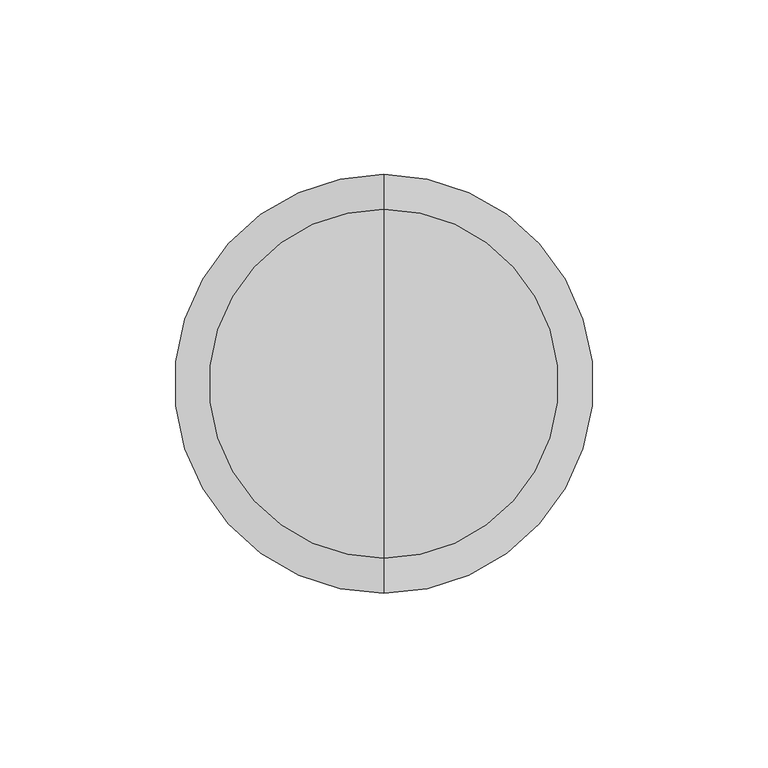
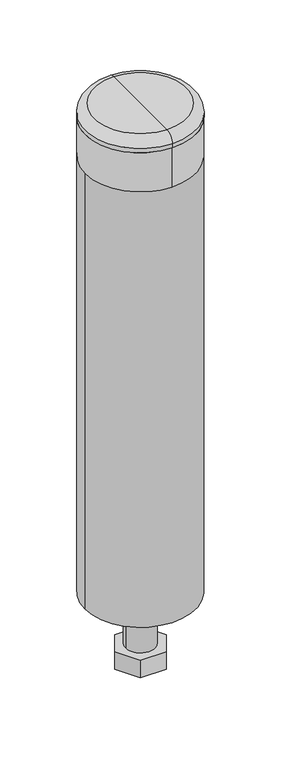
"""IFC4 building model written with IfcOpenShell, lengths in millimetres: proxy geometry."""

import ifcopenshell
import ifcopenshell.guid

model = None  # the IFC model being written
_history = None  # IfcOwnerHistory: only IFC2X3 demands one
_inside = {}  # id of a spatial element -> (the spatial element, [elements in it])
_under = {}  # id of a project, library or spatial element -> (it, [spatial elements below it])
_declared = {}  # id of a project -> (the project, [libraries it declares])
_typed = {}  # id of a type object -> (the type object, [elements of that type])
_made_of = {}  # id of a material, layer set ... -> (it, [elements and type objects made of it])


def new_model(schema):
    """Start an empty IFC model of exactly this schema.

    Asked for "IFC4X3", IfcOpenShell would pick the latest addendum, in which some entities
    have other attributes; the version numbers below select the first issue.
    IFC2X3 requires an IfcOwnerHistory on every rooted entity: one is made here for all.
    """
    global model, _history
    if schema == "IFC4X3":
        model = ifcopenshell.file(schema_version=(4, 3, 0, 0))
    else:
        model = ifcopenshell.file(schema=schema)
    _inside.clear()
    _under.clear()
    _declared.clear()
    _typed.clear()
    _made_of.clear()
    _history = None
    if model.schema == "IFC2X3":
        org = make("IfcOrganization", Name="unknown")
        user = make(
            "IfcPersonAndOrganization",
            ThePerson=make("IfcPerson", FamilyName="unknown"),
            TheOrganization=org,
        )
        app = make(
            "IfcApplication",
            ApplicationDeveloper=org,
            Version="unknown",
            ApplicationFullName="unknown",
            ApplicationIdentifier="unknown",
        )
        _history = make(
            "IfcOwnerHistory",
            OwningUser=user,
            OwningApplication=app,
            ChangeAction="ADDED",
            CreationDate=0,
        )
    return model


def make(cls, **values):
    """One entity of the class cls with the attributes given. An attribute that is None is left unset."""
    return model.create_entity(
        cls, **{name: value for name, value in values.items() if value is not None}
    )


def rooted(cls, **values):
    """An entity with a GlobalId (a new one), such as an element, a storey or a relation."""
    return make(cls, GlobalId=ifcopenshell.guid.new(), OwnerHistory=_history, **values)


def si_unit(unit_type, name, prefix=None):
    """IfcSIUnit, for example si_unit("LENGTHUNIT", "METRE", prefix="MILLI")."""
    return make("IfcSIUnit", UnitType=unit_type, Prefix=prefix, Name=name)


def assignment(units):
    """IfcUnitAssignment: the units of a project."""
    return None if units is None else make("IfcUnitAssignment", Units=units)


def point(xyz):
    """IfcCartesianPoint."""
    return None if xyz is None else make("IfcCartesianPoint", Coordinates=xyz)


def direction(xyz):
    """IfcDirection."""
    return None if xyz is None else make("IfcDirection", DirectionRatios=xyz)


def frame(location, z_axis=None, x_axis=None):
    """IfcAxis2Placement3D, a coordinate frame: its origin and axes. An axis left out is left unset."""
    return make(
        "IfcAxis2Placement3D",
        Location=point(location),
        Axis=direction(z_axis),
        RefDirection=direction(x_axis),
    )


def frame_2d(location, x_axis=None):
    """IfcAxis2Placement2D, a coordinate frame in the plane: its origin and x axis."""
    return make(
        "IfcAxis2Placement2D", Location=point(location), RefDirection=direction(x_axis)
    )


def origin():
    """The frame at (0, 0, 0) with its axes left unset."""
    return frame((0.0, 0.0, 0.0))


def origin_with_axes():
    """The frame at (0, 0, 0) with the z axis (0, 0, 1) and the x axis (1, 0, 0) written out."""
    return frame((0.0, 0.0, 0.0), z_axis=(0.0, 0.0, 1.0), x_axis=(1.0, 0.0, 0.0))


def origin_2d():
    """The frame at (0, 0) in the plane with its x axis left unset."""
    return frame_2d((0.0, 0.0))


def place(relative_to, where):
    """IfcLocalPlacement: puts the frame where relative to a parent placement (None: the world)."""
    return make(
        "IfcLocalPlacement", PlacementRelTo=relative_to, RelativePlacement=where
    )


def context(
    kind, dimensions, precision=None, world=None, true_north=None, identifier=None
):
    """IfcGeometricRepresentationContext, for example the 3D "Model" context."""
    return make(
        "IfcGeometricRepresentationContext",
        ContextIdentifier=identifier,
        ContextType=kind,
        CoordinateSpaceDimension=dimensions,
        Precision=precision,
        WorldCoordinateSystem=world,
        TrueNorth=true_north,
    )


def project(units=None, contexts=None):
    """IfcProject with its units and contexts."""
    return rooted(
        "IfcProject",
        Name="project",
        RepresentationContexts=contexts,
        UnitsInContext=assignment(units),
    )


def spatial(cls, under=None, at=None, **own):
    """A site, building, storey or space (cls), placed at a placement, below another one or the project."""
    s = rooted(cls, ObjectPlacement=at, **own)
    if under is not None:
        _under.setdefault(under.id(), (under, []))[1].append(s)
    return s


def polyline(points):
    """IfcPolyline through the points."""
    return make("IfcPolyline", Points=[point(p) for p in points])


def circle_curve(where, radius):
    """IfcCircle in the frame where."""
    return make("IfcCircle", Position=where, Radius=radius)


def ellipse_curve(where, semi_axis1, semi_axis2):
    """IfcEllipse in the frame where."""
    return make(
        "IfcEllipse", Position=where, SemiAxis1=semi_axis1, SemiAxis2=semi_axis2
    )


def trimmed(basis, trim1, trim2, sense, master):
    """IfcTrimmedCurve: the piece of a basis curve between two trims."""
    return make(
        "IfcTrimmedCurve",
        BasisCurve=basis,
        Trim1=trim1,
        Trim2=trim2,
        SenseAgreement=sense,
        MasterRepresentation=master,
    )


def segment(curve, same_sense, transition):
    """IfcCompositeCurveSegment."""
    return make(
        "IfcCompositeCurveSegment",
        Transition=transition,
        SameSense=same_sense,
        ParentCurve=curve,
    )


def composite_curve(segments, self_intersect=None):
    """IfcCompositeCurve: segments joined end to end."""
    return make("IfcCompositeCurve", Segments=segments, SelfIntersect=self_intersect)


def outline(outer, holes=None, kind="AREA"):
    """IfcArbitraryClosedProfileDef: a profile drawn as a closed curve; with holes, ...WithVoids."""
    if holes is None:
        return make("IfcArbitraryClosedProfileDef", ProfileType=kind, OuterCurve=outer)
    return make(
        "IfcArbitraryProfileDefWithVoids",
        ProfileType=kind,
        OuterCurve=outer,
        InnerCurves=holes,
    )


def extrude(swept, where, along, depth):
    """IfcExtrudedAreaSolid: the profile swept, set in the frame where, extruded along a direction by depth."""
    return make(
        "IfcExtrudedAreaSolid",
        SweptArea=swept,
        Position=where,
        ExtrudedDirection=direction(along),
        Depth=depth,
    )


def shape(context_of_items, identifier, shape_type, items):
    """IfcShapeRepresentation: the items that make up one representation, for example the "Body"."""
    return make(
        "IfcShapeRepresentation",
        ContextOfItems=context_of_items,
        RepresentationIdentifier=identifier,
        RepresentationType=shape_type,
        Items=items,
    )


def source(mapping_origin, context_of_items, identifier, shape_type, items):
    """IfcRepresentationMap: a shape defined once, which mapped items show again and again."""
    return make(
        "IfcRepresentationMap",
        MappingOrigin=mapping_origin,
        MappedRepresentation=shape(context_of_items, identifier, shape_type, items),
    )


def transform(
    local_origin,
    x_axis=None,
    y_axis=None,
    z_axis=None,
    scale=None,
    scale2=None,
    scale3=None,
    uniform=True,
):
    """IfcCartesianTransformationOperator3D, or its non-uniform kind. x_axis, y_axis, z_axis: its Axis1, 2, 3."""
    if uniform:
        return make(
            "IfcCartesianTransformationOperator3D",
            Axis1=direction(x_axis),
            Axis2=direction(y_axis),
            LocalOrigin=point(local_origin),
            Scale=scale,
            Axis3=direction(z_axis),
        )
    return make(
        "IfcCartesianTransformationOperator3DnonUniform",
        Axis1=direction(x_axis),
        Axis2=direction(y_axis),
        LocalOrigin=point(local_origin),
        Scale=scale,
        Axis3=direction(z_axis),
        Scale2=scale2,
        Scale3=scale3,
    )


def mapped(mapping_source, mapping_target):
    """IfcMappedItem: shows the shape of a source again, moved by a transform."""
    return make(
        "IfcMappedItem", MappingSource=mapping_source, MappingTarget=mapping_target
    )


def made_of(thing, what):
    """Note that an element or type object is made of a material, layer set ...; save() writes the relation."""
    if what is not None:
        _made_of.setdefault(what.id(), (what, []))[1].append(thing)
    return thing


def element(
    cls,
    number,
    at=None,
    inside=None,
    cuts=None,
    type_object=None,
    material=None,
    context=None,
    identifier="Body",
    shape_type=None,
    held_by="IfcProductDefinitionShape",
    body=None,
    shapes=None,
    **own,
):
    """One element of the class cls, such as IfcWall. Its Tag is "e" and its number.

    at: its placement. inside: the storey or other place that contains it. cuts: it is an
    opening in that element (IfcRelVoidsElement). A single representation is given by context,
    identifier, shape_type and body (its items); several are given by shapes. held_by: the class
    of the entity that holds the representations. save() writes the other relations.
    """
    e = rooted(cls, Tag="e%d" % number, ObjectPlacement=at, **own)
    if body is not None:
        shapes = [shape(context, identifier, shape_type, body)]
    if shapes is not None:
        e.Representation = make(held_by, Representations=shapes)
    if inside is not None:
        _inside.setdefault(inside.id(), (inside, []))[1].append(e)
    if cuts is not None:
        rooted(
            "IfcRelVoidsElement", RelatingBuildingElement=cuts, RelatedOpeningElement=e
        )
    if type_object is not None:
        _typed.setdefault(type_object.id(), (type_object, []))[1].append(e)
    return made_of(e, material)


def aggregate(whole, parts):
    """IfcRelAggregates: a whole, such as a stair, and the parts it consists of."""
    return rooted("IfcRelAggregates", RelatingObject=whole, RelatedObjects=parts)


def save(model, path):
    """Write the relations noted so far, then the file.

    IfcRelAggregates (storeys below a building ...), IfcRelContainedInSpatialStructure (elements
    in a storey), IfcRelDefinesByType, IfcRelAssociatesMaterial and IfcRelDeclares: one each for
    every whole, place, type object, material and project.
    """
    for whole, parts in _under.values():
        aggregate(whole, parts)
    for where, things in _inside.values():
        rooted(
            "IfcRelContainedInSpatialStructure",
            RelatedElements=things,
            RelatingStructure=where,
        )
    for kind, things in _typed.values():
        rooted("IfcRelDefinesByType", RelatedObjects=things, RelatingType=kind)
    for what, things in _made_of.values():
        rooted("IfcRelAssociatesMaterial", RelatedObjects=things, RelatingMaterial=what)
    for by, libraries in _declared.values():
        rooted("IfcRelDeclares", RelatingContext=by, RelatedDefinitions=libraries)
    model.write(path)


def plane_surface(at):
    """IfcPlane: the flat surface through the origin of the frame at, square to its z axis."""
    return make("IfcPlane", Position=at)


def cylinder_surface(at, radius):
    """IfcCylindricalSurface: all points at the distance radius from the z axis of the frame at."""
    return make("IfcCylindricalSurface", Position=at, Radius=radius)


def revolved_surface(curve, axis_point, axis_direction):
    """IfcSurfaceOfRevolution: the curve turned about the line through axis_point along axis_direction."""
    return make(
        "IfcSurfaceOfRevolution",
        SweptCurve=make("IfcArbitraryOpenProfileDef", ProfileType="CURVE", Curve=curve),
        AxisPosition=make("IfcAxis1Placement", Location=point(axis_point), Axis=direction(axis_direction)),
    )


def advanced_brep(points, edges, surfaces, faces):
    """IfcAdvancedBrep: a solid bounded by faces that lie on surfaces and meet in shared edges.

    An edge is (start, end): straight between two places in points (the first is 0);
    or (start, end, curve); or (start, end, curve, False) where it runs against its curve.
    A face is (place in surfaces, loops), or (place, loops, False) where it looks against
    its surface's normal. A loop lists edges by number (the first is 1), with a minus sign
    where the edge is run from its end to its start. The first loop is the outer one.
    """
    corners = [point(p) for p in points]
    vertices = [make("IfcVertexPoint", VertexGeometry=c) for c in corners]
    made = []
    for start, end, *more in edges:
        made.append(
            make(
                "IfcEdgeCurve",
                EdgeStart=vertices[start],
                EdgeEnd=vertices[end],
                EdgeGeometry=more[0] if more else make("IfcPolyline", Points=[corners[start], corners[end]]),
                SameSense=more[1] if len(more) > 1 else True,
            )
        )
    hull = []
    for where, loops, *sense in faces:
        bounds = []
        for j, loop in enumerate(loops):
            ring = [make("IfcOrientedEdge", EdgeElement=made[abs(k) - 1], Orientation=k > 0) for k in loop]
            bounds.append(
                make(
                    "IfcFaceOuterBound" if j == 0 else "IfcFaceBound",
                    Bound=make("IfcEdgeLoop", EdgeList=ring),
                    Orientation=True,
                )
            )
        hull.append(make("IfcAdvancedFace", Bounds=bounds, FaceSurface=surfaces[where], SameSense=sense[0] if sense else True))
    return make("IfcAdvancedBrep", Outer=make("IfcClosedShell", CfsFaces=hull))


def generic_models_7a511f89(model_context):
    return source(origin(), model_context, "Body", "SolidModel", [
        advanced_brep(
        [(14.0, 24.2487113, 522.0), (-14.0, 24.2487113, 522.0), (-28.0, 0.0, 522.0), (-14.0, -24.2487113, 522.0), (14.0, -24.2487113, 522.0), (28.0, 0.0, 522.0), (0.0, 15.0, 522.0), (0.0, -15.0, 522.0), (14.0, 24.2487113, 502.0), (-14.0, 24.2487113, 502.0), (-28.0, 0.0, 502.0), (-14.0, -24.2487113, 502.0), (14.0, -24.2487113, 502.0), (28.0, 0.0, 502.0), (0.0, 15.0, 502.0), (0.0, -15.0, 502.0), (0.0, 30.0, 500.0), (0.0, -30.0, 500.0), (0.0, 15.0, 500.0), (0.0, -15.0, 500.0), (0.0, 30.0, 502.0), (0.0, -30.0, 502.0)],
        [
            (0, 1),
            (1, 2),
            (2, 3),
            (3, 4),
            (4, 5),
            (5, 0),
            (6, 7, circle_curve(frame((0.0, 0.0, 522.0), z_axis=(0.0, 0.0, -1.0), x_axis=(0.0, -1.0, 0.0)), 15.0)),
            (7, 6, circle_curve(frame((0.0, 0.0, 522.0), z_axis=(0.0, 0.0, -1.0), x_axis=(0.0, -1.0, 0.0)), 15.0)),
            (0, 8),
            (8, 9),
            (9, 1),
            (9, 10),
            (10, 2),
            (10, 11),
            (11, 3),
            (11, 12),
            (12, 4),
            (12, 13),
            (13, 5),
            (13, 8),
            (6, 14),
            (14, 15, circle_curve(frame((0.0, 0.0, 502.0), z_axis=(0.0, 0.0, -1.0), x_axis=(0.0, -1.0, 0.0)), 15.0)),
            (15, 7),
            (15, 14, circle_curve(frame((0.0, 0.0, 502.0), z_axis=(0.0, 0.0, -1.0), x_axis=(0.0, -1.0, 0.0)), 15.0)),
            (16, 17, circle_curve(frame((0.0, 0.0, 500.0), z_axis=(0.0, 0.0, -1.0), x_axis=(0.0, -1.0, 0.0)), 30.0)),
            (17, 16, circle_curve(frame((0.0, 0.0, 500.0), z_axis=(0.0, 0.0, -1.0), x_axis=(0.0, -1.0, 0.0)), 30.0)),
            (18, 19, circle_curve(frame((0.0, 0.0, 500.0), z_axis=(0.0, 0.0, 1.0), x_axis=(0.0, -1.0, 0.0)), 15.0)),
            (19, 18, circle_curve(frame((0.0, 0.0, 500.0), z_axis=(0.0, 0.0, 1.0), x_axis=(0.0, -1.0, 0.0)), 15.0)),
            (20, 21, circle_curve(frame((0.0, 0.0, 502.0), z_axis=(0.0, 0.0, 1.0), x_axis=(0.0, -1.0, 0.0)), 30.0)),
            (21, 20, circle_curve(frame((0.0, 0.0, 502.0), z_axis=(0.0, 0.0, 1.0), x_axis=(0.0, -1.0, 0.0)), 30.0)),
            (16, 20),
            (21, 17),
            (18, 14),
            (15, 19),
        ],
        [
            plane_surface(frame((14.0, 24.2487113, 522.0), z_axis=(0.0, 0.0, 1.0), x_axis=(-1.0, 0.0, 0.0))),
            plane_surface(frame((14.0, 24.2487113, 522.0), z_axis=(0.0, 1.0, 0.0), x_axis=(0.0, 0.0, -1.0))),
            plane_surface(frame((-14.0, 24.2487113, 522.0), z_axis=(-0.866025403784442, 0.49999999999999406, 0.0), x_axis=(0.0, 0.0, -1.0))),
            plane_surface(frame((-28.0, 0.0, 522.0), z_axis=(-0.8660254037844491, -0.4999999999999818, 0.0), x_axis=(0.0, 0.0, -1.0))),
            plane_surface(frame((-14.0, -24.2487113, 522.0), z_axis=(0.0, -1.0, 0.0), x_axis=(0.0, 0.0, -1.0))),
            plane_surface(frame((14.0, -24.2487113, 522.0), z_axis=(0.8660254037844376, -0.5000000000000018, 0.0), x_axis=(0.0, 0.0, -1.0))),
            plane_surface(frame((28.0, 0.0, 522.0), z_axis=(0.8660254037844406, 0.49999999999999684, 0.0), x_axis=(0.0, 0.0, -1.0))),
            revolved_surface(polyline([(0.0, -15.0, 502.0), (0.0, -15.0, 522.0)]), (0.0, 0.0, 502.0), (0.0, 0.0, -1.0)),
            plane_surface(frame((0.0, -30.0, 500.0), z_axis=(0.0, 0.0, -1.0), x_axis=(-1.0, 0.0, 0.0))),
            plane_surface(frame((0.0, -30.0, 502.0), z_axis=(0.0, 0.0, 1.0), x_axis=(1.0, 0.0, 0.0))),
            cylinder_surface(frame((0.0, 0.0, 502.0), z_axis=(0.0, 0.0, -1.0), x_axis=(0.0, -1.0, 0.0)), 30.0),
            revolved_surface(polyline([(0.0, -15.0, 502.0), (0.0, -15.0, 500.0)]), (0.0, 0.0, 500.0), (0.0, 0.0, 1.0)),
        ],
        [
            (0, [[1, 2, 3, 4, 5, 6], [7, 8]]),
            (1, [[-1, 9, 10, 11]]),
            (2, [[-2, -11, 12, 13]]),
            (3, [[-3, -13, 14, 15]]),
            (4, [[-4, -15, 16, 17]]),
            (5, [[-5, -17, 18, 19]]),
            (6, [[-6, -19, 20, -9]]),
            (7, [[-7, 21, 22, 23]]),
            (7, [[-8, -23, 24, -21]]),
            (8, [[25, 26], [27, 28]]),
            (9, [[29, 30], [-10, -20, -18, -16, -14, -12]]),
            (10, [[-25, 31, -30, 32]]),
            (10, [[-26, -32, -29, -31]]),
            (11, [[-27, 33, -24, 34]]),
            (11, [[-28, -34, -22, -33]]),
        ],
    ),
        advanced_brep(
        [(0.0, 50.0, 560.0), (0.0, -50.0, 560.0), (0.0, 0.0, 560.0), (0.0, 60.0, 550.0), (0.0, -60.0, 550.0), (0.0, 60.0, 545.0), (0.0, -60.0, 545.0), (0.0, 40.0, 545.0), (0.0, -40.0, 545.0), (0.0, 40.0, 530.0), (0.0, -40.0, 530.0), (0.0, 30.0, 530.0), (0.0, -30.0, 530.0), (0.0, 30.0, 545.0), (0.0, -30.0, 545.0), (0.0, 0.0, 545.0)],
        [
            (0, 1, circle_curve(frame((0.0, 0.0, 560.0), z_axis=(0.0, 0.0, 1.0), x_axis=(0.0, -1.0, 0.0)), 50.0)),
            (1, 2),
            (2, 0),
            (1, 0, circle_curve(frame((0.0, 0.0, 560.0), z_axis=(0.0, 0.0, 1.0), x_axis=(0.0, -1.0, 0.0)), 50.0)),
            (3, 4, circle_curve(frame((0.0, 0.0, 550.0), z_axis=(0.0, 0.0, 1.0), x_axis=(0.0, -1.0, 0.0)), 60.0)),
            (4, 1, circle_curve(frame((0.0, -50.0, 550.0), z_axis=(-1.0, 0.0, 0.0), x_axis=(0.0, 1.0, 0.0)), 10.0)),
            (0, 3, circle_curve(frame((0.0, 50.0, 550.0), z_axis=(-1.0, 0.0, 0.0), x_axis=(0.0, -1.0, 0.0)), 10.0)),
            (4, 3, circle_curve(frame((0.0, 0.0, 550.0), z_axis=(0.0, 0.0, 1.0), x_axis=(0.0, -1.0, 0.0)), 60.0)),
            (5, 6, circle_curve(frame((0.0, 0.0, 545.0), z_axis=(0.0, 0.0, 1.0), x_axis=(0.0, -1.0, 0.0)), 60.0)),
            (6, 4),
            (3, 5),
            (6, 5, circle_curve(frame((0.0, 0.0, 545.0), z_axis=(0.0, 0.0, 1.0), x_axis=(0.0, -1.0, 0.0)), 60.0)),
            (7, 8, circle_curve(frame((0.0, 0.0, 545.0), z_axis=(0.0, 0.0, 1.0), x_axis=(0.0, -1.0, 0.0)), 40.0)),
            (8, 6),
            (5, 7),
            (8, 7, circle_curve(frame((0.0, 0.0, 545.0), z_axis=(0.0, 0.0, 1.0), x_axis=(0.0, -1.0, 0.0)), 40.0)),
            (9, 10, circle_curve(frame((0.0, 0.0, 530.0), z_axis=(0.0, 0.0, 1.0), x_axis=(0.0, -1.0, 0.0)), 40.0)),
            (10, 8),
            (7, 9),
            (10, 9, circle_curve(frame((0.0, 0.0, 530.0), z_axis=(0.0, 0.0, 1.0), x_axis=(0.0, -1.0, 0.0)), 40.0)),
            (11, 12, circle_curve(frame((0.0, 0.0, 530.0), z_axis=(0.0, 0.0, 1.0), x_axis=(0.0, -1.0, 0.0)), 30.0)),
            (12, 10),
            (9, 11),
            (12, 11, circle_curve(frame((0.0, 0.0, 530.0), z_axis=(0.0, 0.0, 1.0), x_axis=(0.0, -1.0, 0.0)), 30.0)),
            (13, 14, circle_curve(frame((0.0, 0.0, 545.0), z_axis=(0.0, 0.0, 1.0), x_axis=(0.0, -1.0, 0.0)), 30.0)),
            (14, 12),
            (11, 13),
            (14, 13, circle_curve(frame((0.0, 0.0, 545.0), z_axis=(0.0, 0.0, 1.0), x_axis=(0.0, -1.0, 0.0)), 30.0)),
            (15, 14),
            (13, 15),
        ],
        [
            plane_surface(frame((0.0, 0.0, 560.0), z_axis=(0.0, 0.0, 1.0), x_axis=(0.0, -1.0, 0.0))),
            revolved_surface(trimmed(ellipse_curve(frame((0.0, -50.0, 550.0), z_axis=(1.0, 0.0, 0.0), x_axis=(0.0, 1.0, 0.0)), 10.0, 10.0), [point((0.0, -50.0, 560.0))], [point((0.0, -60.0, 550.0))], True, "CARTESIAN"), (0.0, 0.0, 2868.4742198), (0.0, 0.0, -1.0)),
            cylinder_surface(frame((0.0, 0.0, 2868.4742198), z_axis=(0.0, 0.0, -1.0), x_axis=(0.0, -1.0, 0.0)), 60.0),
            plane_surface(frame((0.0, 0.0, 545.0), z_axis=(0.0, 0.0, -1.0), x_axis=(0.0, -1.0, 0.0))),
            cylinder_surface(frame((0.0, 0.0, 2868.4742198), z_axis=(0.0, 0.0, -1.0), x_axis=(0.0, -1.0, 0.0)), 40.0),
            plane_surface(frame((0.0, 0.0, 530.0), z_axis=(0.0, 0.0, -1.0), x_axis=(0.0, -1.0, 0.0))),
            revolved_surface(polyline([(0.0, -30.0, 530.0), (0.0, -30.0, 545.0)]), (0.0, 0.0, 2868.4742198), (0.0, 0.0, -1.0)),
        ],
        [
            (0, [[1, 2, 3]]),
            (0, [[4, -3, -2]]),
            (1, [[5, 6, -1, 7]]),
            (1, [[8, -7, -4, -6]]),
            (2, [[9, 10, -5, 11]]),
            (2, [[12, -11, -8, -10]]),
            (3, [[13, 14, -9, 15]]),
            (3, [[16, -15, -12, -14]]),
            (4, [[17, 18, -13, 19]]),
            (4, [[20, -19, -16, -18]]),
            (5, [[21, 22, -17, 23]]),
            (5, [[24, -23, -20, -22]]),
            (6, [[25, 26, -21, 27]]),
            (6, [[28, -27, -24, -26]]),
            (3, [[29, -25, 30]]),
            (3, [[-30, -28, -29]]),
        ],
    ),
        advanced_brep(
        [(0.0, 40.0, 500.0), (0.0, -40.0, 500.0), (-15.0, 0.0, 500.0), (15.0, 0.0, 500.0), (-60.0, 0.0, 0.0), (60.0, 0.0, 0.0), (-15.0, 0.0, 0.0), (15.0, 0.0, 0.0), (60.0, 0.0, 500.0), (0.0, -60.0, 500.0), (-60.0, 0.0, 500.0), (0.0, 60.0, 500.0), (0.0, 60.0, 545.0), (0.0, -60.0, 545.0), (0.0, 40.0, 545.0), (0.0, -40.0, 545.0)],
        [
            (0, 1, circle_curve(frame((0.0, 0.0, 500.0), z_axis=(0.0, 0.0, 1.0), x_axis=(0.0, -1.0, 0.0)), 40.0)),
            (1, 0, circle_curve(frame((0.0, 0.0, 500.0), z_axis=(0.0, 0.0, 1.0), x_axis=(0.0, -1.0, 0.0)), 40.0)),
            (2, 3, circle_curve(frame((0.0, 0.0, 500.0), z_axis=(0.0, 0.0, -1.0), x_axis=(1.0, 0.0, 0.0)), 15.0)),
            (3, 2, circle_curve(frame((0.0, 0.0, 500.0), z_axis=(0.0, 0.0, -1.0), x_axis=(1.0, 0.0, 0.0)), 15.0)),
            (4, 5, circle_curve(frame((0.0, 0.0, 0.0), z_axis=(0.0, 0.0, -1.0), x_axis=(1.0, 0.0, 0.0)), 60.0)),
            (5, 4, circle_curve(frame((0.0, 0.0, 0.0), z_axis=(0.0, 0.0, -1.0), x_axis=(1.0, 0.0, 0.0)), 60.0)),
            (6, 7, circle_curve(origin_with_axes(), 15.0)),
            (7, 6, circle_curve(origin_with_axes(), 15.0)),
            (5, 8),
            (8, 9, circle_curve(frame((0.0, 0.0, 500.0), z_axis=(0.0, 0.0, -1.0), x_axis=(1.0, 0.0, 0.0)), 60.0)),
            (9, 10, circle_curve(frame((0.0, 0.0, 500.0), z_axis=(0.0, 0.0, -1.0), x_axis=(1.0, 0.0, 0.0)), 60.0)),
            (10, 4),
            (10, 11, circle_curve(frame((0.0, 0.0, 500.0), z_axis=(0.0, 0.0, -1.0), x_axis=(1.0, 0.0, 0.0)), 60.0)),
            (11, 8, circle_curve(frame((0.0, 0.0, 500.0), z_axis=(0.0, 0.0, -1.0), x_axis=(1.0, 0.0, 0.0)), 60.0)),
            (2, 6),
            (7, 3),
            (12, 13, circle_curve(frame((0.0, 0.0, 545.0), z_axis=(0.0, 0.0, 1.0), x_axis=(0.0, -1.0, 0.0)), 60.0)),
            (13, 12, circle_curve(frame((0.0, 0.0, 545.0), z_axis=(0.0, 0.0, 1.0), x_axis=(0.0, -1.0, 0.0)), 60.0)),
            (14, 15, circle_curve(frame((0.0, 0.0, 545.0), z_axis=(0.0, 0.0, -1.0), x_axis=(0.0, -1.0, 0.0)), 40.0)),
            (15, 14, circle_curve(frame((0.0, 0.0, 545.0), z_axis=(0.0, 0.0, -1.0), x_axis=(0.0, -1.0, 0.0)), 40.0)),
            (13, 9),
            (11, 12),
            (15, 1),
            (0, 14),
        ],
        [
            plane_surface(frame((60.0, 0.0, 500.0), z_axis=(0.0, 0.0, 1.0), x_axis=(0.0, 1.0, 0.0))),
            plane_surface(frame((60.0, 0.0, 0.0), z_axis=(0.0, 0.0, -1.0), x_axis=(0.0, -1.0, 0.0))),
            cylinder_surface(origin_with_axes(), 60.0),
            revolved_surface(polyline([(15.0, 0.0, 0.0), (15.0, 0.0, 500.0)]), (0.0, 0.0, 0.0), (0.0, 0.0, -1.0)),
            plane_surface(frame((0.0, -60.0, 545.0), z_axis=(0.0, 0.0, 1.0), x_axis=(1.0, 0.0, 0.0))),
            cylinder_surface(frame((0.0, 0.0, 545.0), z_axis=(0.0, 0.0, -1.0), x_axis=(0.0, -1.0, 0.0)), 60.0),
            revolved_surface(polyline([(0.0, -40.0, 545.0), (0.0, -40.0, 500.0)]), (0.0, 0.0, 500.0), (0.0, 0.0, 1.0)),
        ],
        [
            (0, [[1, 2], [3, 4]]),
            (1, [[5, 6], [7, 8]]),
            (2, [[-6, 9, 10, 11, 12]]),
            (2, [[-5, -12, 13, 14, -9]]),
            (3, [[-3, 15, -8, 16]]),
            (3, [[-4, -16, -7, -15]]),
            (4, [[17, 18], [19, 20]]),
            (5, [[-18, 21, -10, -14, 22]]),
            (5, [[-17, -22, -13, -11, -21]]),
            (6, [[-20, 23, -1, 24]]),
            (6, [[-19, -24, -2, -23]]),
        ],
    ),
        extrude(outline(composite_curve([segment(trimmed(circle_curve(origin_2d(), 16.0), [point((16.0, 0.0))], [point((-16.0, 0.0))], False, "CARTESIAN"), True, "CONTINUOUS"), segment(trimmed(circle_curve(origin_2d(), 16.0), [point((-16.0, 0.0))], [point((16.0, 0.0))], False, "CARTESIAN"), True, "CONTINUOUS")], self_intersect=False), holes=[composite_curve([segment(trimmed(circle_curve(origin_2d(), 15.0), [point((15.0, 0.0))], [point((-15.0, 0.0))], True, "CARTESIAN"), True, "CONTINUOUS"), segment(trimmed(circle_curve(origin_2d(), 15.0), [point((-15.0, 0.0))], [point((15.0, 0.0))], True, "CARTESIAN"), True, "CONTINUOUS")], self_intersect=False)]), frame((0.0, 0.0, -60.0), z_axis=(0.0, 0.0, 1.0), x_axis=(1.0, 0.0, 0.0)), (0.0, 0.0, 1.0), 60.0),
        extrude(outline(composite_curve([segment(trimmed(circle_curve(origin_2d(), 15.0), [point((15.0, 0.0))], [point((-15.0, 0.0))], False, "CARTESIAN"), True, "CONTINUOUS"), segment(trimmed(circle_curve(origin_2d(), 15.0), [point((-15.0, 0.0))], [point((15.0, 0.0))], False, "CARTESIAN"), True, "CONTINUOUS")], self_intersect=False)), frame((0.0, 0.0, -85.0), z_axis=(0.0, 0.0, 1.0), x_axis=(1.0, 0.0, 0.0)), (0.0, 0.0, 1.0), 615.0),
        extrude(outline(polyline([(14.0, 24.2487113), (28.0, 0.0), (14.0, -24.2487113), (-14.0, -24.2487113), (-28.0, 0.0), (-14.0, 24.2487113), (14.0, 24.2487113)]), holes=[composite_curve([segment(trimmed(circle_curve(origin_2d(), 15.0), [point((15.0, 0.0))], [point((-15.0, 0.0))], True, "CARTESIAN"), True, "CONTINUOUS"), segment(trimmed(circle_curve(origin_2d(), 15.0), [point((-15.0, 0.0))], [point((15.0, 0.0))], True, "CARTESIAN"), True, "CONTINUOUS")], self_intersect=False)]), frame((0.0, 0.0, -80.0), z_axis=(0.0, 0.0, 1.0), x_axis=(1.0, 0.0, 0.0)), (0.0, 0.0, 1.0), 20.0),
    ])


if __name__ == "__main__":
    model = new_model("IFC4")
    model_context = context("Model", 3, world=origin())
    ifc_project = project(units=[si_unit("LENGTHUNIT", "METRE", prefix="MILLI")], contexts=[model_context])
    site = spatial("IfcSite", under=ifc_project)
    building = spatial("IfcBuilding", under=site)
    placement = place(None, origin())
    generic_models_shape = generic_models_7a511f89(model_context)
    element("IfcBuildingElementProxy", 1, Name="Generic Models", at=placement, inside=building, context=model_context, shape_type="MappedRepresentation", body=[
        mapped(generic_models_shape, transform((0.0, 0.0, 0.0), x_axis=(1.0, 0.0, 0.0), y_axis=(0.0, 1.0, 0.0), z_axis=(0.0, 0.0, 1.0))),
    ])
    save(model, "model.ifc")
